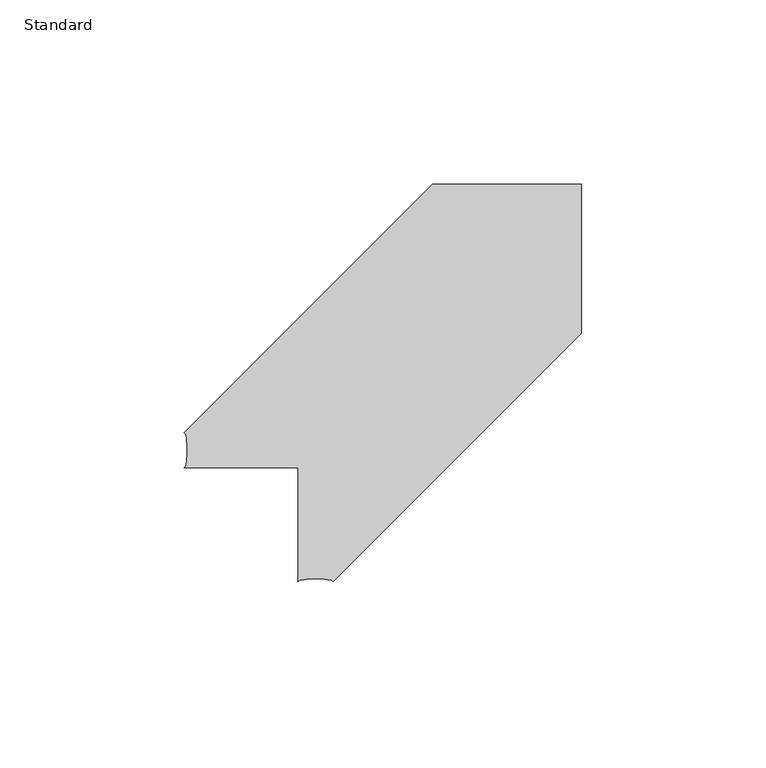
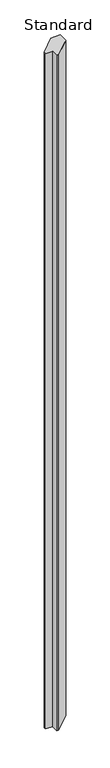
"""IFC4 building model written with IfcOpenShell, lengths in millimetres: column geometry, Standard."""

from ifc_helpers import new_model, si_unit, point, frame, origin, place, context, project, spatial, ellipse_curve, trimmed, source, transform, mapped, element, save
from ifc_brep_helpers import plane_surface, extruded_surface, advanced_brep


def standard_09ababb1(model_context):
    return source(origin(), model_context, "Body", "AdvancedBrep", [
        advanced_brep(
        [(76.8768852, 36.4657504, 0.0), (9.5249643, -30.8861705, 0.0), (0.0, -30.8861705, 0.0), (0.0, 0.0, 0.0), (-30.8861703, 0.0, 0.0), (-30.8861703, 9.525, 0.0), (36.4657327, 76.8769029, 0.0), (76.8768852, 76.8769029, 0.0), (76.8768852, 36.4657504, 3048.0), (9.5249643, -30.8861705, 3048.0), (0.0, -30.8861705, 3048.0), (0.0, 0.0, 3048.0), (-30.8861703, 0.0, 3048.0), (-30.8861703, 9.525, 3048.0), (36.4657327, 76.8769029, 3048.0), (76.8768852, 76.8769029, 3048.0)],
        [
            (0, 1),
            (1, 2, ellipse_curve(frame((4.7624821, -30.8861705, 0.0), z_axis=(0.0, 0.0, 1.0), x_axis=(-1.0, 0.0, 0.0)), 4.7624821, 0.79375)),
            (2, 3),
            (3, 4),
            (4, 5, ellipse_curve(frame((-30.8861703, 4.7625, 0.0), z_axis=(0.0, 0.0, 1.0), x_axis=(0.0, 1.0, 0.0)), 4.7625, 0.79375)),
            (5, 6),
            (6, 7),
            (7, 0),
            (8, 9),
            (9, 1),
            (0, 8),
            (9, 10, ellipse_curve(frame((4.7624821, -30.8861705, 3048.0), z_axis=(0.0, 0.0, 1.0), x_axis=(-1.0, 0.0, 0.0)), 4.7624821, 0.79375)),
            (10, 2),
            (10, 11),
            (11, 3),
            (11, 12),
            (12, 4),
            (12, 13, ellipse_curve(frame((-30.8861703, 4.7625, 3048.0), z_axis=(0.0, 0.0, 1.0), x_axis=(0.0, 1.0, 0.0)), 4.7625, 0.79375)),
            (13, 5),
            (13, 14),
            (14, 6),
            (14, 15),
            (15, 7),
            (15, 8),
        ],
        [
            plane_surface(frame((76.8768852, 36.4657504, 0.0), z_axis=(0.0, 0.0, -1.0), x_axis=(0.0, -1.0, 0.0))),
            plane_surface(frame((9.5249643, -30.8861705, 3048.0), z_axis=(0.7071067811865471, -0.7071067811865479, 0.0), x_axis=(0.0, 0.0, -1.0))),
            extruded_surface(trimmed(ellipse_curve(frame((4.7624821, -30.8861705, -3048.0), z_axis=(0.0, 0.0, -1.0), x_axis=(-1.0, 0.0, 0.0)), 4.7624821, 0.79375), [point((0.0, -30.8861705, -3048.0))], [point((9.5249643, -30.8861705, -3048.0))], True, "CARTESIAN"), (0.0, 0.0, 3048.0), 3048.0),
            plane_surface(frame((0.0, 0.0, 3048.0), z_axis=(-1.0, 0.0, 0.0), x_axis=(0.0, 0.0, -1.0))),
            plane_surface(frame((-30.8861703, 0.0, 3048.0), z_axis=(0.0, -1.0, 0.0), x_axis=(0.0, 0.0, -1.0))),
            extruded_surface(trimmed(ellipse_curve(frame((-30.8861703, 4.7625, -3048.0), z_axis=(0.0, 0.0, -1.0), x_axis=(0.0, 1.0, 0.0)), 4.7625, 0.79375), [point((-30.8861703, 9.525, -3048.0))], [point((-30.8861703, 0.0, -3048.0))], True, "CARTESIAN"), (0.0, 0.0, 3048.0), 3048.0),
            plane_surface(frame((36.4657327, 76.8769029, 3048.0), z_axis=(-0.707106781186547, 0.707106781186548, 0.0), x_axis=(0.0, 0.0, -1.0))),
            plane_surface(frame((76.8768852, 76.8769029, 3048.0), z_axis=(0.0, 1.0, 0.0), x_axis=(0.0, 0.0, -1.0))),
            plane_surface(frame((76.8768852, 36.4657504, 3048.0), z_axis=(1.0, 0.0, 0.0), x_axis=(0.0, 0.0, -1.0))),
            plane_surface(frame((76.8768852, 36.4657504, 3048.0), z_axis=(0.0, 0.0, 1.0), x_axis=(0.0, 1.0, 0.0))),
        ],
        [
            (0, [[1, 2, 3, 4, 5, 6, 7, 8]]),
            (1, [[9, 10, -1, 11]]),
            (2, [[12, 13, -2, -10]]),
            (3, [[14, 15, -3, -13]]),
            (4, [[16, 17, -4, -15]]),
            (5, [[18, 19, -5, -17]]),
            (6, [[20, 21, -6, -19]]),
            (7, [[22, 23, -7, -21]]),
            (8, [[24, -11, -8, -23]]),
            (9, [[-24, -22, -20, -18, -16, -14, -12, -9]]),
        ],
    ),
    ])


if __name__ == "__main__":
    model = new_model("IFC4")
    model_context = context("Model", 3, world=origin())
    ifc_project = project(units=[si_unit("LENGTHUNIT", "METRE", prefix="MILLI")], contexts=[model_context])
    site = spatial("IfcSite", under=ifc_project)
    building = spatial("IfcBuilding", under=site)
    placement = place(None, origin())
    standard_shape = standard_09ababb1(model_context)
    element("IfcColumn", 1, ObjectType="Standard", at=placement, inside=building, context=model_context, shape_type="MappedRepresentation", body=[
        mapped(standard_shape, transform((0.0, 0.0, 0.0), x_axis=(1.0, 0.0, 0.0), y_axis=(0.0, 1.0, 0.0), z_axis=(0.0, 0.0, 1.0))),
    ])
    save(model, "model.ifc")
